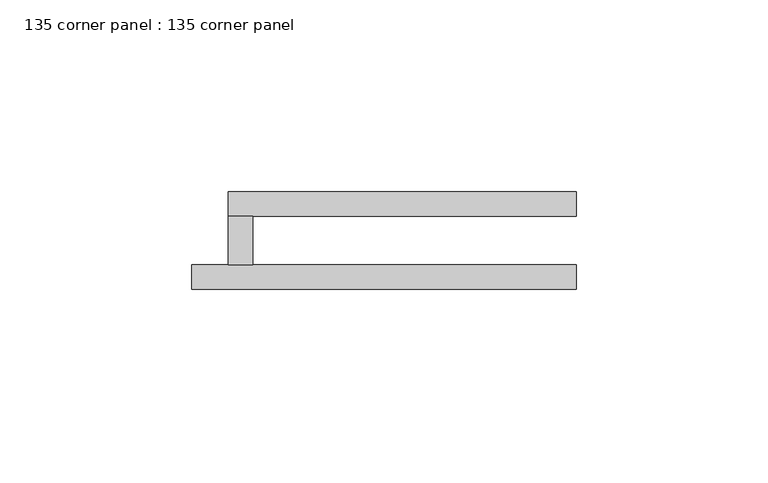
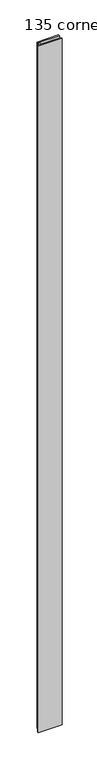
"""IFC4 building model written with IfcOpenShell, lengths in millimetres: plate geometry, 135 corner panel : 135 corner panel."""

from ifc_helpers import new_model, si_unit, origin, origin_with_axes, place, context, project, spatial, polyline, outline, extrude, source, transform, mapped, element, save


def plate_135_corner_panel_135_corner_panel_61ec658c(model_context):
    return source(origin(), model_context, "Body", "SweptSolid", [
        extrude(outline(polyline([(15.875, 19.05), (15.875, 6.35), (9.525, 6.35), (9.525, 19.05), (15.875, 19.05)])), origin_with_axes(), (0.0, 0.0, 1.0), 3048.0),
        extrude(outline(polyline([(100.2452198, 0.0), (0.0, 0.0), (0.0, 6.35), (100.2452198, 6.35), (100.2452198, 0.0)])), origin_with_axes(), (0.0, 0.0, 1.0), 3048.0),
        extrude(outline(polyline([(100.2452198, 19.05), (9.525, 19.05), (9.525, 25.4), (100.2452198, 25.4), (100.2452198, 19.05)])), origin_with_axes(), (0.0, 0.0, 1.0), 3048.0),
    ])


if __name__ == "__main__":
    model = new_model("IFC4")
    model_context = context("Model", 3, world=origin())
    ifc_project = project(units=[si_unit("LENGTHUNIT", "METRE", prefix="MILLI")], contexts=[model_context])
    site = spatial("IfcSite", under=ifc_project)
    building = spatial("IfcBuilding", under=site)
    placement = place(None, origin())
    plate_135_corner_panel_135_corner_panel_shape = plate_135_corner_panel_135_corner_panel_61ec658c(model_context)
    element("IfcPlate", 1, ObjectType="135 corner panel : 135 corner panel", at=placement, inside=building, context=model_context, shape_type="MappedRepresentation", body=[
        mapped(plate_135_corner_panel_135_corner_panel_shape, transform((0.0, 0.0, 0.0), x_axis=(1.0, 0.0, 0.0), y_axis=(0.0, 1.0, 0.0), z_axis=(0.0, 0.0, 1.0))),
    ])
    save(model, "model.ifc")
